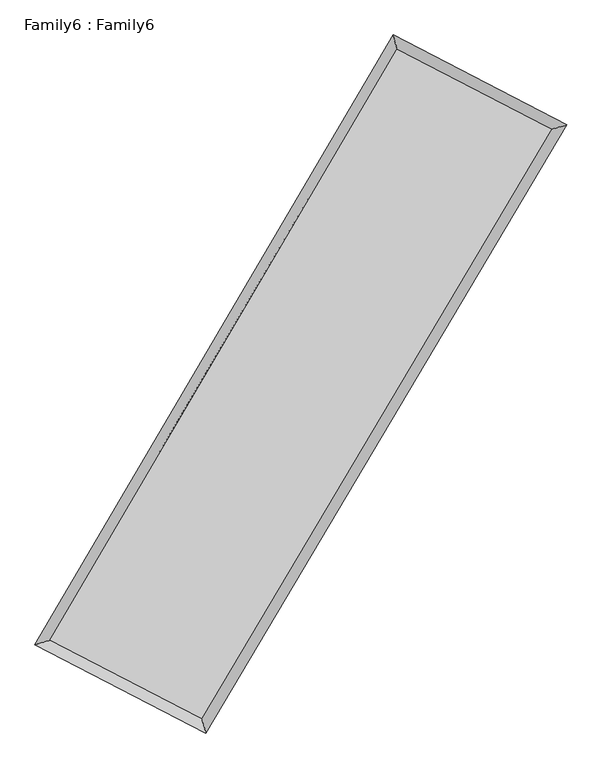
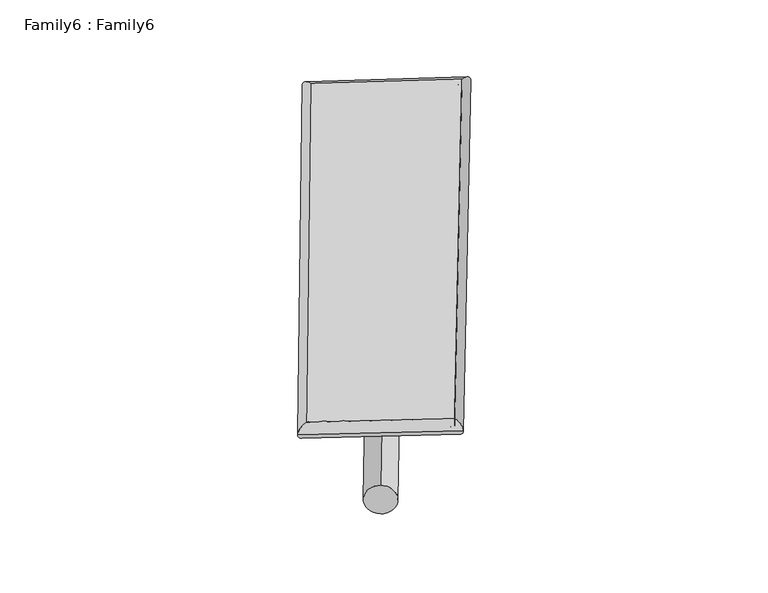
"""IFC4 building model written with IfcOpenShell, lengths in millimetres: plate geometry, Family6 : Family6."""

import ifcopenshell
import ifcopenshell.guid

model = None  # the IFC model being written
_history = None  # IfcOwnerHistory: only IFC2X3 demands one
_inside = {}  # id of a spatial element -> (the spatial element, [elements in it])
_under = {}  # id of a project, library or spatial element -> (it, [spatial elements below it])
_declared = {}  # id of a project -> (the project, [libraries it declares])
_typed = {}  # id of a type object -> (the type object, [elements of that type])
_made_of = {}  # id of a material, layer set ... -> (it, [elements and type objects made of it])


def new_model(schema):
    """Start an empty IFC model of exactly this schema.

    Asked for "IFC4X3", IfcOpenShell would pick the latest addendum, in which some entities
    have other attributes; the version numbers below select the first issue.
    IFC2X3 requires an IfcOwnerHistory on every rooted entity: one is made here for all.
    """
    global model, _history
    if schema == "IFC4X3":
        model = ifcopenshell.file(schema_version=(4, 3, 0, 0))
    else:
        model = ifcopenshell.file(schema=schema)
    _inside.clear()
    _under.clear()
    _declared.clear()
    _typed.clear()
    _made_of.clear()
    _history = None
    if model.schema == "IFC2X3":
        org = make("IfcOrganization", Name="unknown")
        user = make(
            "IfcPersonAndOrganization",
            ThePerson=make("IfcPerson", FamilyName="unknown"),
            TheOrganization=org,
        )
        app = make(
            "IfcApplication",
            ApplicationDeveloper=org,
            Version="unknown",
            ApplicationFullName="unknown",
            ApplicationIdentifier="unknown",
        )
        _history = make(
            "IfcOwnerHistory",
            OwningUser=user,
            OwningApplication=app,
            ChangeAction="ADDED",
            CreationDate=0,
        )
    return model


def make(cls, **values):
    """One entity of the class cls with the attributes given. An attribute that is None is left unset."""
    return model.create_entity(
        cls, **{name: value for name, value in values.items() if value is not None}
    )


def rooted(cls, **values):
    """An entity with a GlobalId (a new one), such as an element, a storey or a relation."""
    return make(cls, GlobalId=ifcopenshell.guid.new(), OwnerHistory=_history, **values)


def si_unit(unit_type, name, prefix=None):
    """IfcSIUnit, for example si_unit("LENGTHUNIT", "METRE", prefix="MILLI")."""
    return make("IfcSIUnit", UnitType=unit_type, Prefix=prefix, Name=name)


def assignment(units):
    """IfcUnitAssignment: the units of a project."""
    return None if units is None else make("IfcUnitAssignment", Units=units)


def point(xyz):
    """IfcCartesianPoint."""
    return None if xyz is None else make("IfcCartesianPoint", Coordinates=xyz)


def direction(xyz):
    """IfcDirection."""
    return None if xyz is None else make("IfcDirection", DirectionRatios=xyz)


def frame(location, z_axis=None, x_axis=None):
    """IfcAxis2Placement3D, a coordinate frame: its origin and axes. An axis left out is left unset."""
    return make(
        "IfcAxis2Placement3D",
        Location=point(location),
        Axis=direction(z_axis),
        RefDirection=direction(x_axis),
    )


def frame_2d(location, x_axis=None):
    """IfcAxis2Placement2D, a coordinate frame in the plane: its origin and x axis."""
    return make(
        "IfcAxis2Placement2D", Location=point(location), RefDirection=direction(x_axis)
    )


def origin():
    """The frame at (0, 0, 0) with its axes left unset."""
    return frame((0.0, 0.0, 0.0))


def origin_2d():
    """The frame at (0, 0) in the plane with its x axis left unset."""
    return frame_2d((0.0, 0.0))


def place(relative_to, where):
    """IfcLocalPlacement: puts the frame where relative to a parent placement (None: the world)."""
    return make(
        "IfcLocalPlacement", PlacementRelTo=relative_to, RelativePlacement=where
    )


def context(
    kind, dimensions, precision=None, world=None, true_north=None, identifier=None
):
    """IfcGeometricRepresentationContext, for example the 3D "Model" context."""
    return make(
        "IfcGeometricRepresentationContext",
        ContextIdentifier=identifier,
        ContextType=kind,
        CoordinateSpaceDimension=dimensions,
        Precision=precision,
        WorldCoordinateSystem=world,
        TrueNorth=true_north,
    )


def project(units=None, contexts=None):
    """IfcProject with its units and contexts."""
    return rooted(
        "IfcProject",
        Name="project",
        RepresentationContexts=contexts,
        UnitsInContext=assignment(units),
    )


def spatial(cls, under=None, at=None, **own):
    """A site, building, storey or space (cls), placed at a placement, below another one or the project."""
    s = rooted(cls, ObjectPlacement=at, **own)
    if under is not None:
        _under.setdefault(under.id(), (under, []))[1].append(s)
    return s


def circle_curve(where, radius):
    """IfcCircle in the frame where."""
    return make("IfcCircle", Position=where, Radius=radius)


def ellipse_curve(where, semi_axis1, semi_axis2):
    """IfcEllipse in the frame where."""
    return make(
        "IfcEllipse", Position=where, SemiAxis1=semi_axis1, SemiAxis2=semi_axis2
    )


def trimmed(basis, trim1, trim2, sense, master):
    """IfcTrimmedCurve: the piece of a basis curve between two trims."""
    return make(
        "IfcTrimmedCurve",
        BasisCurve=basis,
        Trim1=trim1,
        Trim2=trim2,
        SenseAgreement=sense,
        MasterRepresentation=master,
    )


def segment(curve, same_sense, transition):
    """IfcCompositeCurveSegment."""
    return make(
        "IfcCompositeCurveSegment",
        Transition=transition,
        SameSense=same_sense,
        ParentCurve=curve,
    )


def composite_curve(segments, self_intersect=None):
    """IfcCompositeCurve: segments joined end to end."""
    return make("IfcCompositeCurve", Segments=segments, SelfIntersect=self_intersect)


def outline(outer, holes=None, kind="AREA"):
    """IfcArbitraryClosedProfileDef: a profile drawn as a closed curve; with holes, ...WithVoids."""
    if holes is None:
        return make("IfcArbitraryClosedProfileDef", ProfileType=kind, OuterCurve=outer)
    return make(
        "IfcArbitraryProfileDefWithVoids",
        ProfileType=kind,
        OuterCurve=outer,
        InnerCurves=holes,
    )


def extrude(swept, where, along, depth):
    """IfcExtrudedAreaSolid: the profile swept, set in the frame where, extruded along a direction by depth."""
    return make(
        "IfcExtrudedAreaSolid",
        SweptArea=swept,
        Position=where,
        ExtrudedDirection=direction(along),
        Depth=depth,
    )


def shape(context_of_items, identifier, shape_type, items):
    """IfcShapeRepresentation: the items that make up one representation, for example the "Body"."""
    return make(
        "IfcShapeRepresentation",
        ContextOfItems=context_of_items,
        RepresentationIdentifier=identifier,
        RepresentationType=shape_type,
        Items=items,
    )


def source(mapping_origin, context_of_items, identifier, shape_type, items):
    """IfcRepresentationMap: a shape defined once, which mapped items show again and again."""
    return make(
        "IfcRepresentationMap",
        MappingOrigin=mapping_origin,
        MappedRepresentation=shape(context_of_items, identifier, shape_type, items),
    )


def transform(
    local_origin,
    x_axis=None,
    y_axis=None,
    z_axis=None,
    scale=None,
    scale2=None,
    scale3=None,
    uniform=True,
):
    """IfcCartesianTransformationOperator3D, or its non-uniform kind. x_axis, y_axis, z_axis: its Axis1, 2, 3."""
    if uniform:
        return make(
            "IfcCartesianTransformationOperator3D",
            Axis1=direction(x_axis),
            Axis2=direction(y_axis),
            LocalOrigin=point(local_origin),
            Scale=scale,
            Axis3=direction(z_axis),
        )
    return make(
        "IfcCartesianTransformationOperator3DnonUniform",
        Axis1=direction(x_axis),
        Axis2=direction(y_axis),
        LocalOrigin=point(local_origin),
        Scale=scale,
        Axis3=direction(z_axis),
        Scale2=scale2,
        Scale3=scale3,
    )


def mapped(mapping_source, mapping_target):
    """IfcMappedItem: shows the shape of a source again, moved by a transform."""
    return make(
        "IfcMappedItem", MappingSource=mapping_source, MappingTarget=mapping_target
    )


def made_of(thing, what):
    """Note that an element or type object is made of a material, layer set ...; save() writes the relation."""
    if what is not None:
        _made_of.setdefault(what.id(), (what, []))[1].append(thing)
    return thing


def element(
    cls,
    number,
    at=None,
    inside=None,
    cuts=None,
    type_object=None,
    material=None,
    context=None,
    identifier="Body",
    shape_type=None,
    held_by="IfcProductDefinitionShape",
    body=None,
    shapes=None,
    **own,
):
    """One element of the class cls, such as IfcWall. Its Tag is "e" and its number.

    at: its placement. inside: the storey or other place that contains it. cuts: it is an
    opening in that element (IfcRelVoidsElement). A single representation is given by context,
    identifier, shape_type and body (its items); several are given by shapes. held_by: the class
    of the entity that holds the representations. save() writes the other relations.
    """
    e = rooted(cls, Tag="e%d" % number, ObjectPlacement=at, **own)
    if body is not None:
        shapes = [shape(context, identifier, shape_type, body)]
    if shapes is not None:
        e.Representation = make(held_by, Representations=shapes)
    if inside is not None:
        _inside.setdefault(inside.id(), (inside, []))[1].append(e)
    if cuts is not None:
        rooted(
            "IfcRelVoidsElement", RelatingBuildingElement=cuts, RelatedOpeningElement=e
        )
    if type_object is not None:
        _typed.setdefault(type_object.id(), (type_object, []))[1].append(e)
    return made_of(e, material)


def aggregate(whole, parts):
    """IfcRelAggregates: a whole, such as a stair, and the parts it consists of."""
    return rooted("IfcRelAggregates", RelatingObject=whole, RelatedObjects=parts)


def save(model, path):
    """Write the relations noted so far, then the file.

    IfcRelAggregates (storeys below a building ...), IfcRelContainedInSpatialStructure (elements
    in a storey), IfcRelDefinesByType, IfcRelAssociatesMaterial and IfcRelDeclares: one each for
    every whole, place, type object, material and project.
    """
    for whole, parts in _under.values():
        aggregate(whole, parts)
    for where, things in _inside.values():
        rooted(
            "IfcRelContainedInSpatialStructure",
            RelatedElements=things,
            RelatingStructure=where,
        )
    for kind, things in _typed.values():
        rooted("IfcRelDefinesByType", RelatedObjects=things, RelatingType=kind)
    for what, things in _made_of.values():
        rooted("IfcRelAssociatesMaterial", RelatedObjects=things, RelatingMaterial=what)
    for by, libraries in _declared.values():
        rooted("IfcRelDeclares", RelatingContext=by, RelatedDefinitions=libraries)
    model.write(path)


def plane_surface(at):
    """IfcPlane: the flat surface through the origin of the frame at, square to its z axis."""
    return make("IfcPlane", Position=at)


def cylinder_surface(at, radius):
    """IfcCylindricalSurface: all points at the distance radius from the z axis of the frame at."""
    return make("IfcCylindricalSurface", Position=at, Radius=radius)


def spline_surface(u_degree, v_degree, points, u_multiplicities, v_multiplicities, u_knots, v_knots, weights=None):
    """IfcBSplineSurfaceWithKnots; with weights, IfcRationalBSplineSurfaceWithKnots. points: one row for each step in u."""
    own = dict(
        UDegree=u_degree,
        VDegree=v_degree,
        ControlPointsList=[[point(p) for p in row] for row in points],
        SurfaceForm="UNSPECIFIED",
        UClosed=False,
        VClosed=False,
        SelfIntersect=False,
        UMultiplicities=u_multiplicities,
        VMultiplicities=v_multiplicities,
        UKnots=u_knots,
        VKnots=v_knots,
        KnotSpec="UNSPECIFIED",
    )
    if weights is None:
        return make("IfcBSplineSurfaceWithKnots", **own)
    return make("IfcRationalBSplineSurfaceWithKnots", WeightsData=weights, **own)


def advanced_brep(points, edges, surfaces, faces):
    """IfcAdvancedBrep: a solid bounded by faces that lie on surfaces and meet in shared edges.

    An edge is (start, end): straight between two places in points (the first is 0);
    or (start, end, curve); or (start, end, curve, False) where it runs against its curve.
    A face is (place in surfaces, loops), or (place, loops, False) where it looks against
    its surface's normal. A loop lists edges by number (the first is 1), with a minus sign
    where the edge is run from its end to its start. The first loop is the outer one.
    """
    corners = [point(p) for p in points]
    vertices = [make("IfcVertexPoint", VertexGeometry=c) for c in corners]
    made = []
    for start, end, *more in edges:
        made.append(
            make(
                "IfcEdgeCurve",
                EdgeStart=vertices[start],
                EdgeEnd=vertices[end],
                EdgeGeometry=more[0] if more else make("IfcPolyline", Points=[corners[start], corners[end]]),
                SameSense=more[1] if len(more) > 1 else True,
            )
        )
    hull = []
    for where, loops, *sense in faces:
        bounds = []
        for j, loop in enumerate(loops):
            ring = [make("IfcOrientedEdge", EdgeElement=made[abs(k) - 1], Orientation=k > 0) for k in loop]
            bounds.append(
                make(
                    "IfcFaceOuterBound" if j == 0 else "IfcFaceBound",
                    Bound=make("IfcEdgeLoop", EdgeList=ring),
                    Orientation=True,
                )
            )
        hull.append(make("IfcAdvancedFace", Bounds=bounds, FaceSurface=surfaces[where], SameSense=sense[0] if sense else True))
    return make("IfcAdvancedBrep", Outer=make("IfcClosedShell", CfsFaces=hull))


def family6_family6_fd665d17(model_context):
    return source(origin(), model_context, "Body", "SolidModel", [
        extrude(outline(composite_curve([segment(trimmed(circle_curve(origin_2d(), 76.2), [point((-75.4341514, -10.7763073))], [point((75.4341514, 10.7763073))], False, "CARTESIAN"), True, "CONTINUOUS"), segment(trimmed(circle_curve(origin_2d(), 76.2), [point((75.4341514, 10.7763073))], [point((-75.4341514, -10.7763073))], False, "CARTESIAN"), True, "CONTINUOUS")], self_intersect=False)), frame((9144.0, 9144.0, 0.0), z_axis=(0.677141557251612, 0.6845786132598493, 0.26987299551841754), x_axis=(-0.6764965227929951, 0.7234490757014453, -0.13774574227797753)), (0.0, 0.0, 1.0), 5656.1189717),
        extrude(outline(composite_curve([segment(trimmed(circle_curve(origin_2d(), 76.2), [point((-53.8815367, 53.8815367))], [point((53.8815367, -53.8815367))], False, "CARTESIAN"), True, "CONTINUOUS"), segment(trimmed(circle_curve(origin_2d(), 76.2), [point((53.8815367, -53.8815367))], [point((-53.8815367, 53.8815367))], False, "CARTESIAN"), True, "CONTINUOUS")], self_intersect=False)), frame((9144.0, 9144.0, 0.0), z_axis=(-0.6740238613415627, -0.6875211320509784, 0.27019720080998466), x_axis=(0.63979325264925, -0.3604772928169121, 0.6787641086768533)), (0.0, 0.0, 1.0), 5649.0693886),
        extrude(outline(composite_curve([segment(trimmed(circle_curve(origin_2d(), 76.2), [point((-53.8815367, -53.8815367))], [point((53.8815367, 53.8815367))], False, "CARTESIAN"), True, "CONTINUOUS"), segment(trimmed(circle_curve(origin_2d(), 76.2), [point((53.8815367, 53.8815367))], [point((-53.8815367, -53.8815367))], False, "CARTESIAN"), True, "CONTINUOUS")], self_intersect=False)), frame((9144.0, 9144.0, 0.0), z_axis=(0.26573100818991563, 0.9238652544650796, 0.27542698284399253), x_axis=(-0.8418415229704689, 0.36159413156068926, -0.40069007252942074)), (0.0, 0.0, 1.0), 5514.7075805),
        extrude(outline(composite_curve([segment(trimmed(circle_curve(origin_2d(), 76.2), [point((-75.4341514, 10.7763073))], [point((75.4341514, -10.7763073))], False, "CARTESIAN"), True, "CONTINUOUS"), segment(trimmed(circle_curve(origin_2d(), 76.2), [point((75.4341514, -10.7763073))], [point((-75.4341514, 10.7763073))], False, "CARTESIAN"), True, "CONTINUOUS")], self_intersect=False)), frame((9144.0, 9144.0, 0.0), z_axis=(-0.2699826785463526, -0.922568788329633, 0.27563777695542724), x_axis=(0.8796397785785737, -0.11990105612390178, 0.46027991123077594)), (0.0, 0.0, 1.0), 5509.7265473),
        advanced_brep(
        [(5123.5258412, 5198.6243811, 1525.8044584), (5123.5240846, 5198.6216625, 1527.1196145), (5549.2590343, 5321.6664568, 1526.9210135), (10667.7055334, 14037.1387292, 1519.6763545), (10551.152077, 14440.5547151, 1518.1221858), (5549.2607909, 5321.6691754, 1525.6058574), (12760.4461647, 12954.9184831, 1526.344709), (13187.5402523, 13077.1976811, 1526.5228308), (7598.7967459, 4262.2645263, 1518.826748), (7714.1417915, 3859.5319841, 1518.5508062)],
        [
            (0, 1, ellipse_curve(frame((5336.3924377, 5260.1454189, 1526.362736), z_axis=(-0.2776525129956039, 0.960680214133583, 0.0016149920988536189), x_axis=(-0.9606772936431108, -0.277655901151416, 0.002517545301161145)), 221.5823219, 152.4)),
            (1, 2, ellipse_curve(frame((5336.3924377, 5260.1454189, 1526.362736), z_axis=(-0.2776525129956039, 0.960680214133583, 0.0016149920988536189), x_axis=(-0.9606772936431108, -0.277655901151416, 0.002517545301161145)), 221.5823219, 152.4)),
            (2, 3),
            (3, 4, ellipse_curve(frame((10609.4288052, 14238.8467222, 1518.8992702), z_axis=(-0.960704645497732, -0.2775688462384886, -0.001455924761560866), x_axis=(0.2775646112606991, -0.9607035121793808, 0.002578422366352736)), 209.9593894, 152.4)),
            (4, 0),
            (2, 5, ellipse_curve(frame((5336.3924377, 5260.1454189, 1526.362736), z_axis=(-0.2776525129956039, 0.960680214133583, 0.0016149920988536189), x_axis=(-0.9606772936431108, -0.277655901151416, 0.002517545301161145)), 221.5823219, 152.4)),
            (5, 0, ellipse_curve(frame((5336.3924377, 5260.1454189, 1526.362736), z_axis=(-0.2776525129956039, 0.960680214133583, 0.0016149920988536189), x_axis=(-0.9606772936431108, -0.277655901151416, 0.002517545301161145)), 221.5823219, 152.4)),
            (4, 3, ellipse_curve(frame((10609.4288052, 14238.8467222, 1518.8992702), z_axis=(-0.960704645497732, -0.2775688462384886, -0.001455924761560866), x_axis=(0.2775646112606991, -0.9607035121793808, 0.002578422366352736)), 209.9593894, 152.4)),
            (3, 6),
            (6, 7, ellipse_curve(frame((12973.9932085, 13016.0580821, 1526.4337699), z_axis=(-0.2752452720372961, 0.9613728348714327, -0.001520721006587854), x_axis=(-0.9613700181585433, -0.27524835103873335, -0.0024563054167558366)), 222.1275147, 152.4)),
            (7, 4),
            (7, 6, ellipse_curve(frame((12973.9932085, 13016.0580821, 1526.4337699), z_axis=(-0.2752452720372961, 0.9613728348714327, -0.001520721006587854), x_axis=(-0.9613700181585433, -0.27524835103873335, -0.0024563054167558366)), 222.1275147, 152.4)),
            (6, 8),
            (8, 9, ellipse_curve(frame((7656.4692687, 4060.8982552, 1518.6887771), z_axis=(0.9613467111718844, 0.27533656907054566, -0.001508194769191701), x_axis=(-0.27533199998988356, 0.9613454574247534, 0.002683518280582485)), 209.4628224, 152.4)),
            (9, 7),
            (9, 8, ellipse_curve(frame((7656.4692687, 4060.8982552, 1518.6887771), z_axis=(0.9613467111718844, 0.27533656907054566, -0.001508194769191701), x_axis=(-0.27533199998988356, 0.9613454574247534, 0.002683518280582485)), 209.4628224, 152.4)),
            (8, 5),
            (1, 9),
        ],
        [
            cylinder_surface(frame((5336.3924377, 5260.1454189, 1526.362736), z_axis=(-0.5064096451610316, -0.862292733080872, 0.0007167731848072155), x_axis=(-0.8622861367753909, 0.5064020973973213, -0.004419737160286659)), 152.4),
            cylinder_surface(frame((10609.4288052, 14238.8467222, 1518.8992702), z_axis=(-0.8882542311473145, 0.45934345532772347, -0.00283035271321658), x_axis=(0.459350029803415, 0.888252052660397, -0.002416829367851088)), 152.4),
            cylinder_surface(frame((12973.9932085, 13016.0580821, 1526.4337699), z_axis=(0.5105668517627221, 0.8598377386908513, 0.000743642458388153), x_axis=(0.8598380360308259, -0.5105668517627221, -0.0002041464053114602)), 152.4),
            cylinder_surface(frame((7656.4692687, 4060.8982552, 1518.6887771), z_axis=(0.8883376131981552, -0.4591815015979169, -0.0029382933290204903), x_axis=(-0.4591778165626619, -0.8883424192892831, 0.0018651723807666923)), 152.4),
        ],
        [
            (0, [[1, 2, 3, 4, 5]]),
            (0, [[6, 7, -5, 8, -3]]),
            (1, [[-4, 9, 10, 11]]),
            (1, [[-8, -11, 12, -9]]),
            (2, [[-10, 13, 14, 15]]),
            (2, [[-12, -15, 16, -13]]),
            (3, [[-14, 17, -6, -2, 18]]),
            (3, [[-16, -18, -1, -7, -17]]),
        ],
    ),
        extrude(outline(composite_curve([segment(trimmed(circle_curve(origin_2d(), 304.8), [point((0.0, 304.8))], [point((0.0, -304.8))], False, "CARTESIAN"), True, "CONTINUOUS"), segment(trimmed(circle_curve(origin_2d(), 304.8), [point((0.0, -304.8))], [point((0.0, 304.8))], False, "CARTESIAN"), True, "CONTINUOUS")], self_intersect=False)), frame((11808.6933314, 13650.8934829, -0.000402), z_axis=(-0.5089457492816616, -0.8607985968204885, 7.677356710581337e-08), x_axis=(-0.8607985968204919, 0.5089457492816616, -2.0998285737348684e-08)), (0.0, 0.0, 1.0), 10471.4238605),
        advanced_brep(
        [(5336.3924377, 5260.1454189, 1526.362736), (7656.4692687, 4060.8982552, 1518.6887771), (7656.4681787, 4060.8965095, 1671.0887771), (5336.3913477, 5260.1436732, 1678.762736), (12973.9932085, 13016.0580821, 1526.4337699), (12973.9921185, 13016.0563364, 1678.8337699), (10609.4288052, 14238.8467222, 1518.8992702), (10609.4277152, 14238.8449764, 1671.2992702)],
        [
            (0, 1),
            (1, 2),
            (2, 3),
            (3, 0),
            (1, 4),
            (4, 5),
            (5, 2),
            (4, 6),
            (6, 7),
            (7, 5),
            (6, 0),
            (3, 7),
        ],
        [
            plane_surface(frame((6496.4308532, 4660.5218371, 1522.5257566), z_axis=(-0.45918351889001424, -0.8883414297434361, -1.3460008846769966e-05), x_axis=(0.8883376131981553, -0.45918150159791654, -0.00293829332902049))),
            plane_surface(frame((10315.2312386, 8538.4781686, 1522.5612735), z_axis=(0.8598379763234382, -0.5105669931281538, 3.012357485557911e-07), x_axis=(0.5105668517627219, 0.8598377386908516, 0.000743642458388154))),
            plane_surface(frame((11791.7110069, 13627.4524021, 1522.66652), z_axis=(0.45934526133338827, 0.8882578064443817, 1.3460207763617369e-05), x_axis=(-0.8882542311473144, 0.4593434553277236, -0.0028303527132165778))),
            plane_surface(frame((7972.9106215, 9749.4960706, 1522.6310031), z_axis=(-0.862292954721296, 0.5064097750220498, -3.6641463717611853e-07), x_axis=(-0.5064096451610315, -0.862292733080872, 0.0007167731848072176))),
            spline_surface(1, 1, [[(7656.4681787, 4060.8965095, 1671.0887771), (5336.3913477, 5260.1436732, 1678.762736)], [(12973.9921185, 13016.0563364, 1678.8337699), (10609.4277152, 14238.8449764, 1671.2992702)]], [2, 2], [2, 2], [0.0, 1.0], [0.0, 1.0]),
            spline_surface(1, 1, [[(10609.4288052, 14238.8467222, 1518.8992702), (5336.3924377, 5260.1454189, 1526.362736)], [(12973.9932085, 13016.0580821, 1526.4337699), (7656.4692687, 4060.8982552, 1518.6887771)]], [2, 2], [2, 2], [0.0, 1.0], [0.0, 1.0]),
        ],
        [
            (0, [[1, 2, 3, 4]]),
            (1, [[5, 6, 7, -2]]),
            (2, [[8, 9, 10, -6]]),
            (3, [[11, -4, 12, -9]]),
            (4, [[-3, -7, -10, -12]]),
            (5, [[-11, -8, -5, -1]]),
        ],
    ),
    ])


if __name__ == "__main__":
    model = new_model("IFC4")
    model_context = context("Model", 3, world=origin())
    ifc_project = project(units=[si_unit("LENGTHUNIT", "METRE", prefix="MILLI")], contexts=[model_context])
    site = spatial("IfcSite", under=ifc_project)
    building = spatial("IfcBuilding", under=site)
    placement = place(None, origin())
    family6_family6_shape = family6_family6_fd665d17(model_context)
    element("IfcPlate", 1, ObjectType="Family6 : Family6", at=placement, inside=building, context=model_context, shape_type="MappedRepresentation", body=[
        mapped(family6_family6_shape, transform((0.0, 0.0, 0.0), x_axis=(1.0, 0.0, 0.0), y_axis=(0.0, 1.0, 0.0), z_axis=(0.0, 0.0, 1.0))),
    ])
    save(model, "model.ifc")
